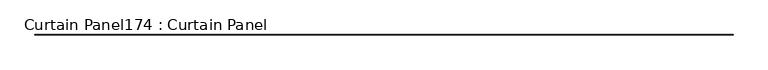
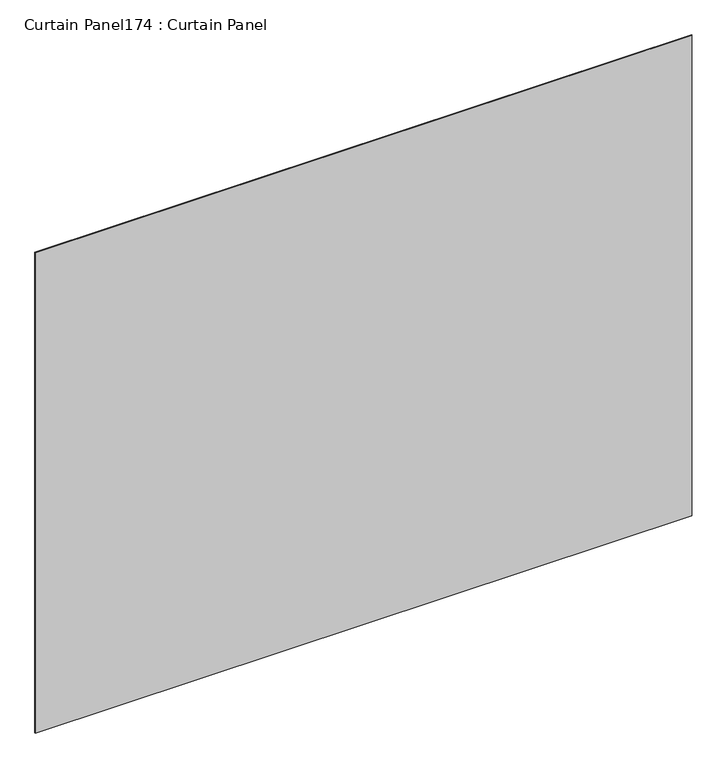
"""IFC4 building model written with IfcOpenShell, lengths in millimetres: plate geometry, Curtain Panel174 : Curtain Panel."""

import ifcopenshell
import ifcopenshell.guid

model = None  # the IFC model being written
_history = None  # IfcOwnerHistory: only IFC2X3 demands one
_inside = {}  # id of a spatial element -> (the spatial element, [elements in it])
_under = {}  # id of a project, library or spatial element -> (it, [spatial elements below it])
_declared = {}  # id of a project -> (the project, [libraries it declares])
_typed = {}  # id of a type object -> (the type object, [elements of that type])
_made_of = {}  # id of a material, layer set ... -> (it, [elements and type objects made of it])


def new_model(schema):
    """Start an empty IFC model of exactly this schema.

    Asked for "IFC4X3", IfcOpenShell would pick the latest addendum, in which some entities
    have other attributes; the version numbers below select the first issue.
    IFC2X3 requires an IfcOwnerHistory on every rooted entity: one is made here for all.
    """
    global model, _history
    if schema == "IFC4X3":
        model = ifcopenshell.file(schema_version=(4, 3, 0, 0))
    else:
        model = ifcopenshell.file(schema=schema)
    _inside.clear()
    _under.clear()
    _declared.clear()
    _typed.clear()
    _made_of.clear()
    _history = None
    if model.schema == "IFC2X3":
        org = make("IfcOrganization", Name="unknown")
        user = make(
            "IfcPersonAndOrganization",
            ThePerson=make("IfcPerson", FamilyName="unknown"),
            TheOrganization=org,
        )
        app = make(
            "IfcApplication",
            ApplicationDeveloper=org,
            Version="unknown",
            ApplicationFullName="unknown",
            ApplicationIdentifier="unknown",
        )
        _history = make(
            "IfcOwnerHistory",
            OwningUser=user,
            OwningApplication=app,
            ChangeAction="ADDED",
            CreationDate=0,
        )
    return model


def make(cls, **values):
    """One entity of the class cls with the attributes given. An attribute that is None is left unset."""
    return model.create_entity(
        cls, **{name: value for name, value in values.items() if value is not None}
    )


def rooted(cls, **values):
    """An entity with a GlobalId (a new one), such as an element, a storey or a relation."""
    return make(cls, GlobalId=ifcopenshell.guid.new(), OwnerHistory=_history, **values)


def si_unit(unit_type, name, prefix=None):
    """IfcSIUnit, for example si_unit("LENGTHUNIT", "METRE", prefix="MILLI")."""
    return make("IfcSIUnit", UnitType=unit_type, Prefix=prefix, Name=name)


def assignment(units):
    """IfcUnitAssignment: the units of a project."""
    return None if units is None else make("IfcUnitAssignment", Units=units)


def point(xyz):
    """IfcCartesianPoint."""
    return None if xyz is None else make("IfcCartesianPoint", Coordinates=xyz)


def direction(xyz):
    """IfcDirection."""
    return None if xyz is None else make("IfcDirection", DirectionRatios=xyz)


def frame(location, z_axis=None, x_axis=None):
    """IfcAxis2Placement3D, a coordinate frame: its origin and axes. An axis left out is left unset."""
    return make(
        "IfcAxis2Placement3D",
        Location=point(location),
        Axis=direction(z_axis),
        RefDirection=direction(x_axis),
    )


def origin():
    """The frame at (0, 0, 0) with its axes left unset."""
    return frame((0.0, 0.0, 0.0))


def place(relative_to, where):
    """IfcLocalPlacement: puts the frame where relative to a parent placement (None: the world)."""
    return make(
        "IfcLocalPlacement", PlacementRelTo=relative_to, RelativePlacement=where
    )


def context(
    kind, dimensions, precision=None, world=None, true_north=None, identifier=None
):
    """IfcGeometricRepresentationContext, for example the 3D "Model" context."""
    return make(
        "IfcGeometricRepresentationContext",
        ContextIdentifier=identifier,
        ContextType=kind,
        CoordinateSpaceDimension=dimensions,
        Precision=precision,
        WorldCoordinateSystem=world,
        TrueNorth=true_north,
    )


def project(units=None, contexts=None):
    """IfcProject with its units and contexts."""
    return rooted(
        "IfcProject",
        Name="project",
        RepresentationContexts=contexts,
        UnitsInContext=assignment(units),
    )


def spatial(cls, under=None, at=None, **own):
    """A site, building, storey or space (cls), placed at a placement, below another one or the project."""
    s = rooted(cls, ObjectPlacement=at, **own)
    if under is not None:
        _under.setdefault(under.id(), (under, []))[1].append(s)
    return s


def polyline(points):
    """IfcPolyline through the points."""
    return make("IfcPolyline", Points=[point(p) for p in points])


def outline(outer, holes=None, kind="AREA"):
    """IfcArbitraryClosedProfileDef: a profile drawn as a closed curve; with holes, ...WithVoids."""
    if holes is None:
        return make("IfcArbitraryClosedProfileDef", ProfileType=kind, OuterCurve=outer)
    return make(
        "IfcArbitraryProfileDefWithVoids",
        ProfileType=kind,
        OuterCurve=outer,
        InnerCurves=holes,
    )


def extrude(swept, where, along, depth):
    """IfcExtrudedAreaSolid: the profile swept, set in the frame where, extruded along a direction by depth."""
    return make(
        "IfcExtrudedAreaSolid",
        SweptArea=swept,
        Position=where,
        ExtrudedDirection=direction(along),
        Depth=depth,
    )


def shape(context_of_items, identifier, shape_type, items):
    """IfcShapeRepresentation: the items that make up one representation, for example the "Body"."""
    return make(
        "IfcShapeRepresentation",
        ContextOfItems=context_of_items,
        RepresentationIdentifier=identifier,
        RepresentationType=shape_type,
        Items=items,
    )


def source(mapping_origin, context_of_items, identifier, shape_type, items):
    """IfcRepresentationMap: a shape defined once, which mapped items show again and again."""
    return make(
        "IfcRepresentationMap",
        MappingOrigin=mapping_origin,
        MappedRepresentation=shape(context_of_items, identifier, shape_type, items),
    )


def transform(
    local_origin,
    x_axis=None,
    y_axis=None,
    z_axis=None,
    scale=None,
    scale2=None,
    scale3=None,
    uniform=True,
):
    """IfcCartesianTransformationOperator3D, or its non-uniform kind. x_axis, y_axis, z_axis: its Axis1, 2, 3."""
    if uniform:
        return make(
            "IfcCartesianTransformationOperator3D",
            Axis1=direction(x_axis),
            Axis2=direction(y_axis),
            LocalOrigin=point(local_origin),
            Scale=scale,
            Axis3=direction(z_axis),
        )
    return make(
        "IfcCartesianTransformationOperator3DnonUniform",
        Axis1=direction(x_axis),
        Axis2=direction(y_axis),
        LocalOrigin=point(local_origin),
        Scale=scale,
        Axis3=direction(z_axis),
        Scale2=scale2,
        Scale3=scale3,
    )


def mapped(mapping_source, mapping_target):
    """IfcMappedItem: shows the shape of a source again, moved by a transform."""
    return make(
        "IfcMappedItem", MappingSource=mapping_source, MappingTarget=mapping_target
    )


def made_of(thing, what):
    """Note that an element or type object is made of a material, layer set ...; save() writes the relation."""
    if what is not None:
        _made_of.setdefault(what.id(), (what, []))[1].append(thing)
    return thing


def element(
    cls,
    number,
    at=None,
    inside=None,
    cuts=None,
    type_object=None,
    material=None,
    context=None,
    identifier="Body",
    shape_type=None,
    held_by="IfcProductDefinitionShape",
    body=None,
    shapes=None,
    **own,
):
    """One element of the class cls, such as IfcWall. Its Tag is "e" and its number.

    at: its placement. inside: the storey or other place that contains it. cuts: it is an
    opening in that element (IfcRelVoidsElement). A single representation is given by context,
    identifier, shape_type and body (its items); several are given by shapes. held_by: the class
    of the entity that holds the representations. save() writes the other relations.
    """
    e = rooted(cls, Tag="e%d" % number, ObjectPlacement=at, **own)
    if body is not None:
        shapes = [shape(context, identifier, shape_type, body)]
    if shapes is not None:
        e.Representation = make(held_by, Representations=shapes)
    if inside is not None:
        _inside.setdefault(inside.id(), (inside, []))[1].append(e)
    if cuts is not None:
        rooted(
            "IfcRelVoidsElement", RelatingBuildingElement=cuts, RelatedOpeningElement=e
        )
    if type_object is not None:
        _typed.setdefault(type_object.id(), (type_object, []))[1].append(e)
    return made_of(e, material)


def aggregate(whole, parts):
    """IfcRelAggregates: a whole, such as a stair, and the parts it consists of."""
    return rooted("IfcRelAggregates", RelatingObject=whole, RelatedObjects=parts)


def save(model, path):
    """Write the relations noted so far, then the file.

    IfcRelAggregates (storeys below a building ...), IfcRelContainedInSpatialStructure (elements
    in a storey), IfcRelDefinesByType, IfcRelAssociatesMaterial and IfcRelDeclares: one each for
    every whole, place, type object, material and project.
    """
    for whole, parts in _under.values():
        aggregate(whole, parts)
    for where, things in _inside.values():
        rooted(
            "IfcRelContainedInSpatialStructure",
            RelatedElements=things,
            RelatingStructure=where,
        )
    for kind, things in _typed.values():
        rooted("IfcRelDefinesByType", RelatedObjects=things, RelatingType=kind)
    for what, things in _made_of.values():
        rooted("IfcRelAssociatesMaterial", RelatedObjects=things, RelatingMaterial=what)
    for by, libraries in _declared.values():
        rooted("IfcRelDeclares", RelatingContext=by, RelatedDefinitions=libraries)
    model.write(path)


def curtain_panel174_curtain_panel_cf05da5f(model_context):
    return source(origin(), model_context, "Body", "SweptSolid", [
        extrude(outline(polyline([(523237.9957972, 2644.7439437), (513636.7957972, 2644.7439437), (513636.7957972, 2651.0939437), (523237.9957972, 2651.0939437), (523237.9957972, 2644.7439437)])), frame((0.0, 0.0, 26324.9104039), z_axis=(0.0, 0.0, 1.0), x_axis=(1.0, 0.0, 0.0)), (0.0, 0.0, 1.0), 7427.9037587),
    ])


if __name__ == "__main__":
    model = new_model("IFC4")
    model_context = context("Model", 3, world=origin())
    ifc_project = project(units=[si_unit("LENGTHUNIT", "METRE", prefix="MILLI")], contexts=[model_context])
    site = spatial("IfcSite", under=ifc_project)
    building = spatial("IfcBuilding", under=site)
    placement = place(None, origin())
    curtain_panel174_curtain_panel_shape = curtain_panel174_curtain_panel_cf05da5f(model_context)
    element("IfcPlate", 1, ObjectType="Curtain Panel174 : Curtain Panel", at=placement, inside=building, context=model_context, shape_type="MappedRepresentation", body=[
        mapped(curtain_panel174_curtain_panel_shape, transform((0.0, 0.0, 0.0), x_axis=(1.0, 0.0, 0.0), y_axis=(0.0, 1.0, 0.0), z_axis=(0.0, 0.0, 1.0))),
    ])
    save(model, "model.ifc")
